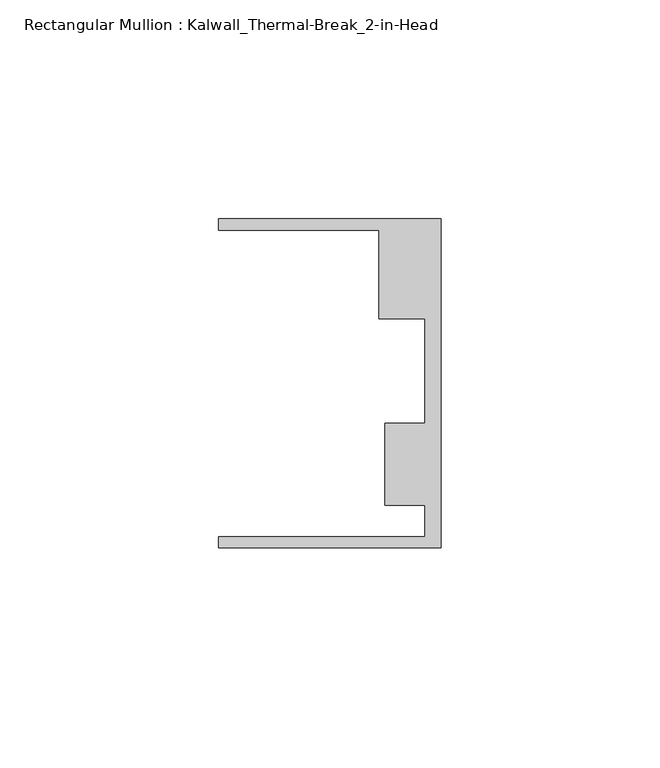
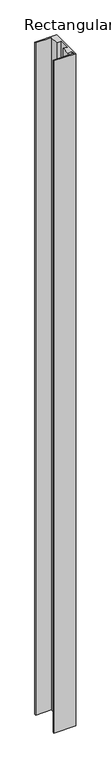
"""IFC4 building model written with IfcOpenShell, lengths in millimetres: member geometry, Rectangular Mullion : Kalwall_Thermal-Break_2-in-Head."""

from ifc_helpers import new_model, si_unit, frame, origin, place, context, project, spatial, polyline, outline, extrude, source, transform, mapped, element, save


def rectangular_mullion_kalwall_thermal_break_2_in_head_a03da4d7(model_context):
    return source(origin(), model_context, "Body", "SweptSolid", [
        extrude(outline(polyline([(0.0, -37.5776386), (-50.8, -37.5776386), (-50.8, -35.0376386), (-3.7084, -35.0376386), (-3.7084, -27.8888568), (-12.8272539, -27.8888568), (-12.8272539, -9.1879886), (-3.7084, -9.1879886), (-3.7084, 14.7439614), (-14.1732, 14.7439614), (-14.1732, 34.9623614), (-50.8, 34.9623614), (-50.8, 37.5023614), (0.0, 37.5023614), (0.0, -37.5776386)])), frame((0.0, 0.0, -1637.8610062), z_axis=(0.0, 0.0, 1.0), x_axis=(1.0, 0.0, 0.0)), (0.0, 0.0, 1.0), 1637.8610062),
    ])


if __name__ == "__main__":
    model = new_model("IFC4")
    model_context = context("Model", 3, world=origin())
    ifc_project = project(units=[si_unit("LENGTHUNIT", "METRE", prefix="MILLI")], contexts=[model_context])
    site = spatial("IfcSite", under=ifc_project)
    building = spatial("IfcBuilding", under=site)
    placement = place(None, origin())
    rectangular_mullion_kalwall_thermal_break_2_in_head_shape = rectangular_mullion_kalwall_thermal_break_2_in_head_a03da4d7(model_context)
    element("IfcMember", 1, ObjectType="Rectangular Mullion : Kalwall_Thermal-Break_2-in-Head", at=placement, inside=building, context=model_context, shape_type="MappedRepresentation", body=[
        mapped(rectangular_mullion_kalwall_thermal_break_2_in_head_shape, transform((0.0, 0.0, 0.0), x_axis=(1.0, 0.0, 0.0), y_axis=(0.0, 1.0, 0.0), z_axis=(0.0, 0.0, 1.0))),
    ])
    save(model, "model.ifc")
